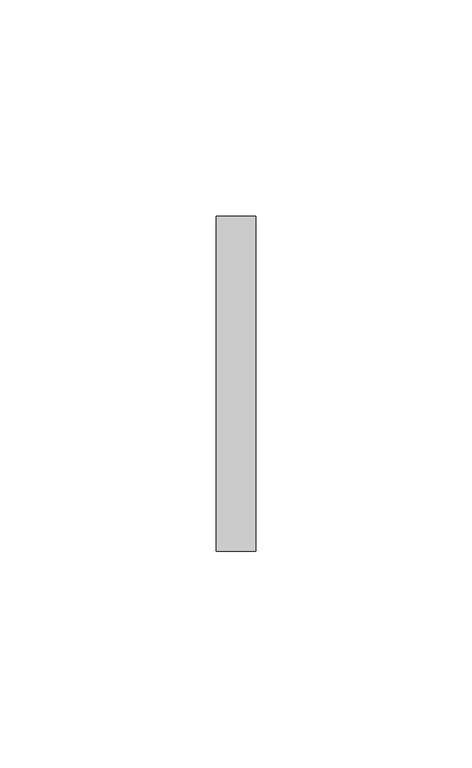
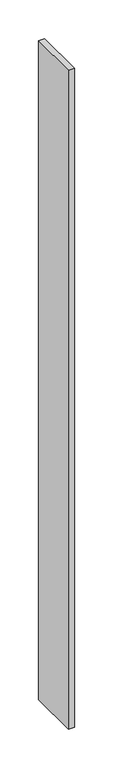
"""IFC4 building model written with IfcOpenShell, lengths in millimetres: furniture geometry."""

from ifc_helpers import new_model, si_unit, frame, origin, place, context, project, spatial, polyline, outline, extrude, source, transform, mapped, element, save


def furniture_9fe13c7e(model_context):
    return source(origin(), model_context, "Body", "SweptSolid", [
        extrude(outline(polyline([(5.5434607, 38.6537944), (5.5434607, -38.8360494), (-3.5846643, -38.8360494), (-3.5846643, 38.6537944), (5.5434607, 38.6537944)])), frame((0.0, 0.0, 14.2875), z_axis=(0.0, 0.0, 1.0), x_axis=(1.0, 0.0, 0.0)), (0.0, 0.0, 1.0), 1041.4635),
    ])


if __name__ == "__main__":
    model = new_model("IFC4")
    model_context = context("Model", 3, world=origin())
    ifc_project = project(units=[si_unit("LENGTHUNIT", "METRE", prefix="MILLI")], contexts=[model_context])
    site = spatial("IfcSite", under=ifc_project)
    building = spatial("IfcBuilding", under=site)
    placement = place(None, origin())
    furniture_shape = furniture_9fe13c7e(model_context)
    element("IfcFurniture", 1, at=placement, inside=building, context=model_context, shape_type="MappedRepresentation", body=[
        mapped(furniture_shape, transform((0.0, 0.0, 0.0), x_axis=(1.0, 0.0, 0.0), y_axis=(0.0, 1.0, 0.0), z_axis=(0.0, 0.0, 1.0))),
    ])
    save(model, "model.ifc")
